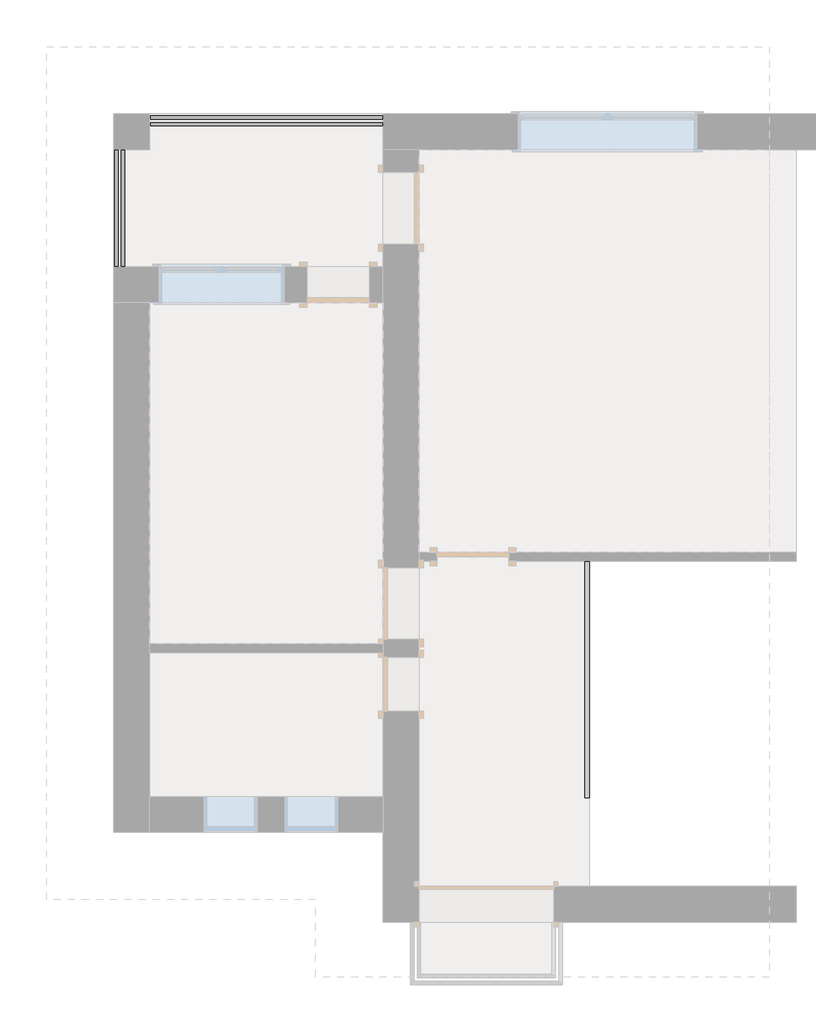
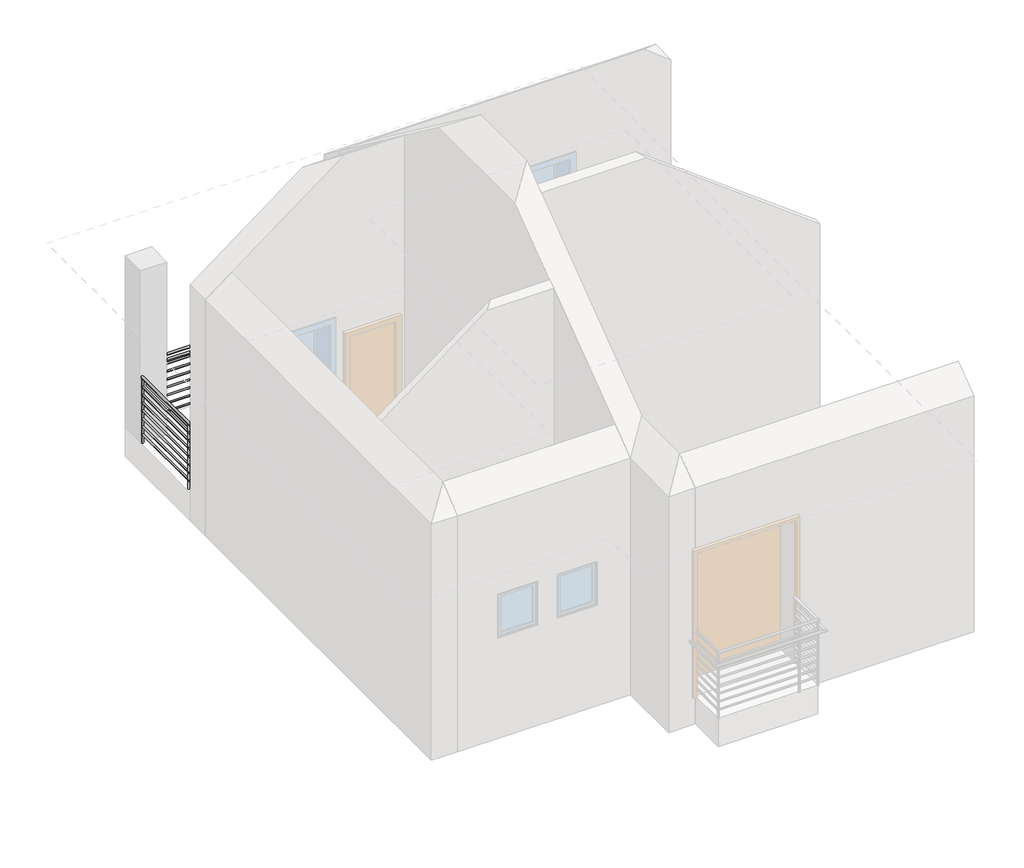
# One storey, part 3 of 3: 3 railings.
"""IFC4 building model written with IfcOpenShell, lengths in millimetres."""

from ifc_helpers import new_model, si_unit, point, frame, frame_2d, origin, place, context, project, spatial, polyline, circle_curve, trimmed, segment, composite_curve, outline, extrude, element, save

model = new_model("IFC4")

# Units and contexts
model_context = context("Model", 3, world=origin())
ifc_project = project(units=[si_unit("LENGTHUNIT", "METRE", prefix="MILLI")], contexts=[model_context])

# Site, building, storey
site = spatial("IfcSite", under=ifc_project)
building = spatial("IfcBuilding", under=site)
storey = spatial("IfcBuildingStorey", under=building, Elevation=90040.0)

# Railings
placement = place(None, origin())
element("IfcRailing", 1, ObjectType="Guardrail - Pipe", at=placement, inside=storey, context=model_context, shape_type="SweptSolid", body=[
    extrude(outline(composite_curve([segment(trimmed(circle_curve(frame_2d((5613.5893935, 90935.35)), 19.05), [point((5594.5393935, 90935.35))], [point((5632.6393935, 90935.35))], False, "CARTESIAN"), True, "CONTINUOUS"), segment(trimmed(circle_curve(frame_2d((5613.5893935, 90935.35)), 19.05), [point((5632.6393935, 90935.35))], [point((5594.5393935, 90935.35))], False, "CARTESIAN"), True, "CONTINUOUS")], self_intersect=False)), frame((-3520.1975428, 0.0, 0.0), z_axis=(1.0, 0.0, 0.0), x_axis=(0.0, 1.0, 0.0)), (0.0, 0.0, 1.0), 2600.0),
    extrude(outline(composite_curve([segment(trimmed(circle_curve(frame_2d((5537.3893935, 91087.75)), 19.05), [point((5518.3393935, 91087.75))], [point((5556.4393935, 91087.75))], False, "CARTESIAN"), True, "CONTINUOUS"), segment(trimmed(circle_curve(frame_2d((5537.3893935, 91087.75)), 19.05), [point((5556.4393935, 91087.75))], [point((5518.3393935, 91087.75))], False, "CARTESIAN"), True, "CONTINUOUS")], self_intersect=False)), frame((-3520.1975428, 0.0, 0.0), z_axis=(1.0, 0.0, 0.0), x_axis=(0.0, 1.0, 0.0)), (0.0, 0.0, 1.0), 2600.0),
    extrude(outline(composite_curve([segment(trimmed(circle_curve(frame_2d((5537.3893935, 90941.7)), 12.7), [point((5550.0893935, 90941.7))], [point((5524.6893935, 90941.7))], False, "CARTESIAN"), True, "CONTINUOUS"), segment(trimmed(circle_curve(frame_2d((5537.3893935, 90941.7)), 12.7), [point((5524.6893935, 90941.7))], [point((5550.0893935, 90941.7))], False, "CARTESIAN"), True, "CONTINUOUS")], self_intersect=False)), frame((-3520.1975428, 0.0, 0.0), z_axis=(1.0, 0.0, 0.0), x_axis=(0.0, 1.0, 0.0)), (0.0, 0.0, 1.0), 2600.0),
    extrude(outline(composite_curve([segment(trimmed(circle_curve(frame_2d((5537.3893935, 90814.7)), 12.7), [point((5550.0893935, 90814.7))], [point((5524.6893935, 90814.7))], False, "CARTESIAN"), True, "CONTINUOUS"), segment(trimmed(circle_curve(frame_2d((5537.3893935, 90814.7)), 12.7), [point((5524.6893935, 90814.7))], [point((5550.0893935, 90814.7))], False, "CARTESIAN"), True, "CONTINUOUS")], self_intersect=False)), frame((-3520.1975428, 0.0, 0.0), z_axis=(1.0, 0.0, 0.0), x_axis=(0.0, 1.0, 0.0)), (0.0, 0.0, 1.0), 2600.0),
    extrude(outline(composite_curve([segment(trimmed(circle_curve(frame_2d((5537.3893935, 90687.7)), 12.7), [point((5550.0893935, 90687.7))], [point((5524.6893935, 90687.7))], False, "CARTESIAN"), True, "CONTINUOUS"), segment(trimmed(circle_curve(frame_2d((5537.3893935, 90687.7)), 12.7), [point((5524.6893935, 90687.7))], [point((5550.0893935, 90687.7))], False, "CARTESIAN"), True, "CONTINUOUS")], self_intersect=False)), frame((-3520.1975428, 0.0, 0.0), z_axis=(1.0, 0.0, 0.0), x_axis=(0.0, 1.0, 0.0)), (0.0, 0.0, 1.0), 2600.0),
    extrude(outline(composite_curve([segment(trimmed(circle_curve(frame_2d((5537.3893935, 90560.7)), 12.7), [point((5550.0893935, 90560.7))], [point((5524.6893935, 90560.7))], False, "CARTESIAN"), True, "CONTINUOUS"), segment(trimmed(circle_curve(frame_2d((5537.3893935, 90560.7)), 12.7), [point((5524.6893935, 90560.7))], [point((5550.0893935, 90560.7))], False, "CARTESIAN"), True, "CONTINUOUS")], self_intersect=False)), frame((-3520.1975428, 0.0, 0.0), z_axis=(1.0, 0.0, 0.0), x_axis=(0.0, 1.0, 0.0)), (0.0, 0.0, 1.0), 2600.0),
    extrude(outline(composite_curve([segment(trimmed(circle_curve(frame_2d((5537.3893935, 90433.7)), 12.7), [point((5550.0893935, 90433.7))], [point((5524.6893935, 90433.7))], False, "CARTESIAN"), True, "CONTINUOUS"), segment(trimmed(circle_curve(frame_2d((5537.3893935, 90433.7)), 12.7), [point((5524.6893935, 90433.7))], [point((5550.0893935, 90433.7))], False, "CARTESIAN"), True, "CONTINUOUS")], self_intersect=False)), frame((-3520.1975428, 0.0, 0.0), z_axis=(1.0, 0.0, 0.0), x_axis=(0.0, 1.0, 0.0)), (0.0, 0.0, 1.0), 2600.0),
    extrude(outline(composite_curve([segment(trimmed(circle_curve(frame_2d((5537.3893935, 90306.7)), 12.7), [point((5550.0893935, 90306.7))], [point((5524.6893935, 90306.7))], False, "CARTESIAN"), True, "CONTINUOUS"), segment(trimmed(circle_curve(frame_2d((5537.3893935, 90306.7)), 12.7), [point((5524.6893935, 90306.7))], [point((5550.0893935, 90306.7))], False, "CARTESIAN"), True, "CONTINUOUS")], self_intersect=False)), frame((-3520.1975428, 0.0, 0.0), z_axis=(1.0, 0.0, 0.0), x_axis=(0.0, 1.0, 0.0)), (0.0, 0.0, 1.0), 2600.0),
    extrude(outline(composite_curve([segment(trimmed(circle_curve(frame_2d((5537.3893935, 90179.7)), 12.7), [point((5550.0893935, 90179.7))], [point((5524.6893935, 90179.7))], False, "CARTESIAN"), True, "CONTINUOUS"), segment(trimmed(circle_curve(frame_2d((5537.3893935, 90179.7)), 12.7), [point((5524.6893935, 90179.7))], [point((5550.0893935, 90179.7))], False, "CARTESIAN"), True, "CONTINUOUS")], self_intersect=False)), frame((-3520.1975428, 0.0, 0.0), z_axis=(1.0, 0.0, 0.0), x_axis=(0.0, 1.0, 0.0)), (0.0, 0.0, 1.0), 2600.0),
    extrude(outline(composite_curve([segment(trimmed(circle_curve(frame_2d((-1081.7975428, 5537.3893935)), 12.7), [point((-1081.7975428, 5550.0893935))], [point((-1081.7975428, 5524.6893935))], False, "CARTESIAN"), True, "CONTINUOUS"), segment(trimmed(circle_curve(frame_2d((-1081.7975428, 5537.3893935)), 12.7), [point((-1081.7975428, 5524.6893935))], [point((-1081.7975428, 5550.0893935))], False, "CARTESIAN"), True, "CONTINUOUS")], self_intersect=False)), frame((0.0, 0.0, 90040.0), z_axis=(0.0, 0.0, 1.0), x_axis=(1.0, 0.0, 0.0)), (0.0, 0.0, 1.0), 1028.7),
    extrude(outline(composite_curve([segment(trimmed(circle_curve(frame_2d((-2300.9975428, 5537.3893935)), 12.7), [point((-2300.9975428, 5550.0893935))], [point((-2300.9975428, 5524.6893935))], False, "CARTESIAN"), True, "CONTINUOUS"), segment(trimmed(circle_curve(frame_2d((-2300.9975428, 5537.3893935)), 12.7), [point((-2300.9975428, 5524.6893935))], [point((-2300.9975428, 5550.0893935))], False, "CARTESIAN"), True, "CONTINUOUS")], self_intersect=False)), frame((0.0, 0.0, 90040.0), z_axis=(0.0, 0.0, 1.0), x_axis=(1.0, 0.0, 0.0)), (0.0, 0.0, 1.0), 1028.7),
    extrude(outline(composite_curve([segment(trimmed(circle_curve(frame_2d((-932.8975428, 5537.3893935)), 12.7), [point((-932.8975428, 5550.0893935))], [point((-932.8975428, 5524.6893935))], False, "CARTESIAN"), True, "CONTINUOUS"), segment(trimmed(circle_curve(frame_2d((-932.8975428, 5537.3893935)), 12.7), [point((-932.8975428, 5524.6893935))], [point((-932.8975428, 5550.0893935))], False, "CARTESIAN"), True, "CONTINUOUS")], self_intersect=False)), frame((0.0, 0.0, 90040.0), z_axis=(0.0, 0.0, 1.0), x_axis=(1.0, 0.0, 0.0)), (0.0, 0.0, 1.0), 1028.7),
    extrude(outline(composite_curve([segment(trimmed(circle_curve(frame_2d((-3507.4975428, 5537.3893935)), 12.7), [point((-3507.4975428, 5550.0893935))], [point((-3507.4975428, 5524.6893935))], False, "CARTESIAN"), True, "CONTINUOUS"), segment(trimmed(circle_curve(frame_2d((-3507.4975428, 5537.3893935)), 12.7), [point((-3507.4975428, 5524.6893935))], [point((-3507.4975428, 5550.0893935))], False, "CARTESIAN"), True, "CONTINUOUS")], self_intersect=False)), frame((0.0, 0.0, 90040.0), z_axis=(0.0, 0.0, 1.0), x_axis=(1.0, 0.0, 0.0)), (0.0, 0.0, 1.0), 1028.7),
])
element("IfcRailing", 2, ObjectType="Guardrail - Pipe", at=placement, inside=storey, context=model_context, shape_type="SweptSolid", body=[
    extrude(outline(composite_curve([segment(trimmed(circle_curve(frame_2d((90935.35, -3826.9464463)), 19.05), [point((90935.35, -3845.9964463))], [point((90935.35, -3807.8964463))], False, "CARTESIAN"), True, "CONTINUOUS"), segment(trimmed(circle_curve(frame_2d((90935.35, -3826.9464463)), 19.05), [point((90935.35, -3807.8964463))], [point((90935.35, -3845.9964463))], False, "CARTESIAN"), True, "CONTINUOUS")], self_intersect=False)), frame((0.0, 3952.3430585, 0.0), z_axis=(0.0, 1.0, 0.0), x_axis=(0.0, 0.0, 1.0)), (0.0, 0.0, 1.0), 1300.0),
    extrude(outline(composite_curve([segment(trimmed(circle_curve(frame_2d((91087.75, -3903.1464463)), 19.05), [point((91087.75, -3922.1964463))], [point((91087.75, -3884.0964463))], False, "CARTESIAN"), True, "CONTINUOUS"), segment(trimmed(circle_curve(frame_2d((91087.75, -3903.1464463)), 19.05), [point((91087.75, -3884.0964463))], [point((91087.75, -3922.1964463))], False, "CARTESIAN"), True, "CONTINUOUS")], self_intersect=False)), frame((0.0, 3952.3430585, 0.0), z_axis=(0.0, 1.0, 0.0), x_axis=(0.0, 0.0, 1.0)), (0.0, 0.0, 1.0), 1300.0),
    extrude(outline(composite_curve([segment(trimmed(circle_curve(frame_2d((90941.7, -3903.1464463)), 12.7), [point((90941.7, -3890.4464463))], [point((90941.7, -3915.8464463))], False, "CARTESIAN"), True, "CONTINUOUS"), segment(trimmed(circle_curve(frame_2d((90941.7, -3903.1464463)), 12.7), [point((90941.7, -3915.8464463))], [point((90941.7, -3890.4464463))], False, "CARTESIAN"), True, "CONTINUOUS")], self_intersect=False)), frame((0.0, 3952.3430585, 0.0), z_axis=(0.0, 1.0, 0.0), x_axis=(0.0, 0.0, 1.0)), (0.0, 0.0, 1.0), 1300.0),
    extrude(outline(composite_curve([segment(trimmed(circle_curve(frame_2d((90814.7, -3903.1464463)), 12.7), [point((90814.7, -3890.4464463))], [point((90814.7, -3915.8464463))], False, "CARTESIAN"), True, "CONTINUOUS"), segment(trimmed(circle_curve(frame_2d((90814.7, -3903.1464463)), 12.7), [point((90814.7, -3915.8464463))], [point((90814.7, -3890.4464463))], False, "CARTESIAN"), True, "CONTINUOUS")], self_intersect=False)), frame((0.0, 3952.3430585, 0.0), z_axis=(0.0, 1.0, 0.0), x_axis=(0.0, 0.0, 1.0)), (0.0, 0.0, 1.0), 1300.0),
    extrude(outline(composite_curve([segment(trimmed(circle_curve(frame_2d((90687.7, -3903.1464463)), 12.7), [point((90687.7, -3890.4464463))], [point((90687.7, -3915.8464463))], False, "CARTESIAN"), True, "CONTINUOUS"), segment(trimmed(circle_curve(frame_2d((90687.7, -3903.1464463)), 12.7), [point((90687.7, -3915.8464463))], [point((90687.7, -3890.4464463))], False, "CARTESIAN"), True, "CONTINUOUS")], self_intersect=False)), frame((0.0, 3952.3430585, 0.0), z_axis=(0.0, 1.0, 0.0), x_axis=(0.0, 0.0, 1.0)), (0.0, 0.0, 1.0), 1300.0),
    extrude(outline(composite_curve([segment(trimmed(circle_curve(frame_2d((90560.7, -3903.1464463)), 12.7), [point((90560.7, -3890.4464463))], [point((90560.7, -3915.8464463))], False, "CARTESIAN"), True, "CONTINUOUS"), segment(trimmed(circle_curve(frame_2d((90560.7, -3903.1464463)), 12.7), [point((90560.7, -3915.8464463))], [point((90560.7, -3890.4464463))], False, "CARTESIAN"), True, "CONTINUOUS")], self_intersect=False)), frame((0.0, 3952.3430585, 0.0), z_axis=(0.0, 1.0, 0.0), x_axis=(0.0, 0.0, 1.0)), (0.0, 0.0, 1.0), 1300.0),
    extrude(outline(composite_curve([segment(trimmed(circle_curve(frame_2d((90433.7, -3903.1464463)), 12.7), [point((90433.7, -3890.4464463))], [point((90433.7, -3915.8464463))], False, "CARTESIAN"), True, "CONTINUOUS"), segment(trimmed(circle_curve(frame_2d((90433.7, -3903.1464463)), 12.7), [point((90433.7, -3915.8464463))], [point((90433.7, -3890.4464463))], False, "CARTESIAN"), True, "CONTINUOUS")], self_intersect=False)), frame((0.0, 3952.3430585, 0.0), z_axis=(0.0, 1.0, 0.0), x_axis=(0.0, 0.0, 1.0)), (0.0, 0.0, 1.0), 1300.0),
    extrude(outline(composite_curve([segment(trimmed(circle_curve(frame_2d((90306.7, -3903.1464463)), 12.7), [point((90306.7, -3890.4464463))], [point((90306.7, -3915.8464463))], False, "CARTESIAN"), True, "CONTINUOUS"), segment(trimmed(circle_curve(frame_2d((90306.7, -3903.1464463)), 12.7), [point((90306.7, -3915.8464463))], [point((90306.7, -3890.4464463))], False, "CARTESIAN"), True, "CONTINUOUS")], self_intersect=False)), frame((0.0, 3952.3430585, 0.0), z_axis=(0.0, 1.0, 0.0), x_axis=(0.0, 0.0, 1.0)), (0.0, 0.0, 1.0), 1300.0),
    extrude(outline(composite_curve([segment(trimmed(circle_curve(frame_2d((90179.7, -3903.1464463)), 12.7), [point((90179.7, -3890.4464463))], [point((90179.7, -3915.8464463))], False, "CARTESIAN"), True, "CONTINUOUS"), segment(trimmed(circle_curve(frame_2d((90179.7, -3903.1464463)), 12.7), [point((90179.7, -3915.8464463))], [point((90179.7, -3890.4464463))], False, "CARTESIAN"), True, "CONTINUOUS")], self_intersect=False)), frame((0.0, 3952.3430585, 0.0), z_axis=(0.0, 1.0, 0.0), x_axis=(0.0, 0.0, 1.0)), (0.0, 0.0, 1.0), 1300.0),
    extrude(outline(composite_curve([segment(trimmed(circle_curve(frame_2d((-3903.1464463, 4033.1430585)), 12.7), [point((-3890.4464463, 4033.1430585))], [point((-3915.8464463, 4033.1430585))], False, "CARTESIAN"), True, "CONTINUOUS"), segment(trimmed(circle_curve(frame_2d((-3903.1464463, 4033.1430585)), 12.7), [point((-3915.8464463, 4033.1430585))], [point((-3890.4464463, 4033.1430585))], False, "CARTESIAN"), True, "CONTINUOUS")], self_intersect=False)), frame((0.0, 0.0, 90040.0), z_axis=(0.0, 0.0, 1.0), x_axis=(1.0, 0.0, 0.0)), (0.0, 0.0, 1.0), 1028.7),
    extrude(outline(composite_curve([segment(trimmed(circle_curve(frame_2d((-3903.1464463, 3965.0430585)), 12.7), [point((-3890.4464463, 3965.0430585))], [point((-3915.8464463, 3965.0430585))], False, "CARTESIAN"), True, "CONTINUOUS"), segment(trimmed(circle_curve(frame_2d((-3903.1464463, 3965.0430585)), 12.7), [point((-3915.8464463, 3965.0430585))], [point((-3890.4464463, 3965.0430585))], False, "CARTESIAN"), True, "CONTINUOUS")], self_intersect=False)), frame((0.0, 0.0, 90040.0), z_axis=(0.0, 0.0, 1.0), x_axis=(1.0, 0.0, 0.0)), (0.0, 0.0, 1.0), 1028.7),
    extrude(outline(composite_curve([segment(trimmed(circle_curve(frame_2d((-3903.1464463, 5239.6430585)), 12.7), [point((-3890.4464463, 5239.6430585))], [point((-3915.8464463, 5239.6430585))], False, "CARTESIAN"), True, "CONTINUOUS"), segment(trimmed(circle_curve(frame_2d((-3903.1464463, 5239.6430585)), 12.7), [point((-3915.8464463, 5239.6430585))], [point((-3890.4464463, 5239.6430585))], False, "CARTESIAN"), True, "CONTINUOUS")], self_intersect=False)), frame((0.0, 0.0, 90040.0), z_axis=(0.0, 0.0, 1.0), x_axis=(1.0, 0.0, 0.0)), (0.0, 0.0, 1.0), 1028.7),
])
element("IfcRailing", 3, ObjectType="Handrail - Rectangular", at=placement, inside=storey, context=model_context, shape_type="SweptSolid", body=[
    extrude(outline(polyline([(1370.6555789, -1961.8133666), (1319.8555789, -1961.8133666), (1319.8555789, 672.3430585), (1370.6555789, 672.3430585), (1370.6555789, -1961.8133666)])), frame((0.0, 0.0, 90903.6), z_axis=(0.0, 0.0, 1.0), x_axis=(1.0, 0.0, 0.0)), (0.0, 0.0, 1.0), 50.8),
    extrude(outline(polyline([(1354.7805789, 568.6616334), (1335.7305789, 568.6616334), (1335.7305789, 587.7116334), (1354.7805789, 587.7116334), (1354.7805789, 568.6616334)])), frame((0.0, 0.0, 90040.0), z_axis=(0.0, 0.0, 1.0), x_axis=(1.0, 0.0, 0.0)), (0.0, 0.0, 1.0), 863.6),
    extrude(outline(polyline([(1354.7805789, 467.0616334), (1335.7305789, 467.0616334), (1335.7305789, 486.1116334), (1354.7805789, 486.1116334), (1354.7805789, 467.0616334)])), frame((0.0, 0.0, 90040.0), z_axis=(0.0, 0.0, 1.0), x_axis=(1.0, 0.0, 0.0)), (0.0, 0.0, 1.0), 863.6),
    extrude(outline(polyline([(1354.7805789, 365.4616334), (1335.7305789, 365.4616334), (1335.7305789, 384.5116334), (1354.7805789, 384.5116334), (1354.7805789, 365.4616334)])), frame((0.0, 0.0, 90040.0), z_axis=(0.0, 0.0, 1.0), x_axis=(1.0, 0.0, 0.0)), (0.0, 0.0, 1.0), 863.6),
    extrude(outline(polyline([(1354.7805789, 263.8616334), (1335.7305789, 263.8616334), (1335.7305789, 282.9116334), (1354.7805789, 282.9116334), (1354.7805789, 263.8616334)])), frame((0.0, 0.0, 90040.0), z_axis=(0.0, 0.0, 1.0), x_axis=(1.0, 0.0, 0.0)), (0.0, 0.0, 1.0), 863.6),
    extrude(outline(polyline([(1354.7805789, 162.2616334), (1335.7305789, 162.2616334), (1335.7305789, 181.3116334), (1354.7805789, 181.3116334), (1354.7805789, 162.2616334)])), frame((0.0, 0.0, 90040.0), z_axis=(0.0, 0.0, 1.0), x_axis=(1.0, 0.0, 0.0)), (0.0, 0.0, 1.0), 863.6),
    extrude(outline(polyline([(1354.7805789, 60.6616334), (1335.7305789, 60.6616334), (1335.7305789, 79.7116334), (1354.7805789, 79.7116334), (1354.7805789, 60.6616334)])), frame((0.0, 0.0, 90040.0), z_axis=(0.0, 0.0, 1.0), x_axis=(1.0, 0.0, 0.0)), (0.0, 0.0, 1.0), 863.6),
    extrude(outline(polyline([(1354.7805789, -40.9383666), (1335.7305789, -40.9383666), (1335.7305789, -21.8883666), (1354.7805789, -21.8883666), (1354.7805789, -40.9383666)])), frame((0.0, 0.0, 90040.0), z_axis=(0.0, 0.0, 1.0), x_axis=(1.0, 0.0, 0.0)), (0.0, 0.0, 1.0), 863.6),
    extrude(outline(polyline([(1354.7805789, -142.5383666), (1335.7305789, -142.5383666), (1335.7305789, -123.4883666), (1354.7805789, -123.4883666), (1354.7805789, -142.5383666)])), frame((0.0, 0.0, 90040.0), z_axis=(0.0, 0.0, 1.0), x_axis=(1.0, 0.0, 0.0)), (0.0, 0.0, 1.0), 863.6),
    extrude(outline(polyline([(1354.7805789, -244.1383666), (1335.7305789, -244.1383666), (1335.7305789, -225.0883666), (1354.7805789, -225.0883666), (1354.7805789, -244.1383666)])), frame((0.0, 0.0, 90040.0), z_axis=(0.0, 0.0, 1.0), x_axis=(1.0, 0.0, 0.0)), (0.0, 0.0, 1.0), 863.6),
    extrude(outline(polyline([(1354.7805789, -345.7383666), (1335.7305789, -345.7383666), (1335.7305789, -326.6883666), (1354.7805789, -326.6883666), (1354.7805789, -345.7383666)])), frame((0.0, 0.0, 90040.0), z_axis=(0.0, 0.0, 1.0), x_axis=(1.0, 0.0, 0.0)), (0.0, 0.0, 1.0), 863.6),
    extrude(outline(polyline([(1354.7805789, -447.3383666), (1335.7305789, -447.3383666), (1335.7305789, -428.2883666), (1354.7805789, -428.2883666), (1354.7805789, -447.3383666)])), frame((0.0, 0.0, 90040.0), z_axis=(0.0, 0.0, 1.0), x_axis=(1.0, 0.0, 0.0)), (0.0, 0.0, 1.0), 863.6),
    extrude(outline(polyline([(1354.7805789, -548.9383666), (1335.7305789, -548.9383666), (1335.7305789, -529.8883666), (1354.7805789, -529.8883666), (1354.7805789, -548.9383666)])), frame((0.0, 0.0, 90040.0), z_axis=(0.0, 0.0, 1.0), x_axis=(1.0, 0.0, 0.0)), (0.0, 0.0, 1.0), 863.6),
    extrude(outline(polyline([(1354.7805789, -650.5383666), (1335.7305789, -650.5383666), (1335.7305789, -631.4883666), (1354.7805789, -631.4883666), (1354.7805789, -650.5383666)])), frame((0.0, 0.0, 90040.0), z_axis=(0.0, 0.0, 1.0), x_axis=(1.0, 0.0, 0.0)), (0.0, 0.0, 1.0), 863.6),
    extrude(outline(polyline([(1354.7805789, -752.1383666), (1335.7305789, -752.1383666), (1335.7305789, -733.0883666), (1354.7805789, -733.0883666), (1354.7805789, -752.1383666)])), frame((0.0, 0.0, 90040.0), z_axis=(0.0, 0.0, 1.0), x_axis=(1.0, 0.0, 0.0)), (0.0, 0.0, 1.0), 863.6),
    extrude(outline(polyline([(1354.7805789, -853.7383666), (1335.7305789, -853.7383666), (1335.7305789, -834.6883666), (1354.7805789, -834.6883666), (1354.7805789, -853.7383666)])), frame((0.0, 0.0, 90040.0), z_axis=(0.0, 0.0, 1.0), x_axis=(1.0, 0.0, 0.0)), (0.0, 0.0, 1.0), 863.6),
    extrude(outline(polyline([(1354.7805789, -955.3383666), (1335.7305789, -955.3383666), (1335.7305789, -936.2883666), (1354.7805789, -936.2883666), (1354.7805789, -955.3383666)])), frame((0.0, 0.0, 90040.0), z_axis=(0.0, 0.0, 1.0), x_axis=(1.0, 0.0, 0.0)), (0.0, 0.0, 1.0), 863.6),
    extrude(outline(polyline([(1354.7805789, -1056.9383666), (1335.7305789, -1056.9383666), (1335.7305789, -1037.8883666), (1354.7805789, -1037.8883666), (1354.7805789, -1056.9383666)])), frame((0.0, 0.0, 90040.0), z_axis=(0.0, 0.0, 1.0), x_axis=(1.0, 0.0, 0.0)), (0.0, 0.0, 1.0), 863.6),
    extrude(outline(polyline([(1354.7805789, -1158.5383666), (1335.7305789, -1158.5383666), (1335.7305789, -1139.4883666), (1354.7805789, -1139.4883666), (1354.7805789, -1158.5383666)])), frame((0.0, 0.0, 90040.0), z_axis=(0.0, 0.0, 1.0), x_axis=(1.0, 0.0, 0.0)), (0.0, 0.0, 1.0), 863.6),
    extrude(outline(polyline([(1354.7805789, -1260.1383666), (1335.7305789, -1260.1383666), (1335.7305789, -1241.0883666), (1354.7805789, -1241.0883666), (1354.7805789, -1260.1383666)])), frame((0.0, 0.0, 90040.0), z_axis=(0.0, 0.0, 1.0), x_axis=(1.0, 0.0, 0.0)), (0.0, 0.0, 1.0), 863.6),
    extrude(outline(polyline([(1354.7805789, -1361.7383666), (1335.7305789, -1361.7383666), (1335.7305789, -1342.6883666), (1354.7805789, -1342.6883666), (1354.7805789, -1361.7383666)])), frame((0.0, 0.0, 90040.0), z_axis=(0.0, 0.0, 1.0), x_axis=(1.0, 0.0, 0.0)), (0.0, 0.0, 1.0), 863.6),
    extrude(outline(polyline([(1354.7805789, -1463.3383666), (1335.7305789, -1463.3383666), (1335.7305789, -1444.2883666), (1354.7805789, -1444.2883666), (1354.7805789, -1463.3383666)])), frame((0.0, 0.0, 90040.0), z_axis=(0.0, 0.0, 1.0), x_axis=(1.0, 0.0, 0.0)), (0.0, 0.0, 1.0), 863.6),
    extrude(outline(polyline([(1354.7805789, -1564.9383666), (1335.7305789, -1564.9383666), (1335.7305789, -1545.8883666), (1354.7805789, -1545.8883666), (1354.7805789, -1564.9383666)])), frame((0.0, 0.0, 90040.0), z_axis=(0.0, 0.0, 1.0), x_axis=(1.0, 0.0, 0.0)), (0.0, 0.0, 1.0), 863.6),
    extrude(outline(polyline([(1354.7805789, -1666.5383666), (1335.7305789, -1666.5383666), (1335.7305789, -1647.4883666), (1354.7805789, -1647.4883666), (1354.7805789, -1666.5383666)])), frame((0.0, 0.0, 90040.0), z_axis=(0.0, 0.0, 1.0), x_axis=(1.0, 0.0, 0.0)), (0.0, 0.0, 1.0), 863.6),
    extrude(outline(polyline([(1354.7805789, -1768.1383666), (1335.7305789, -1768.1383666), (1335.7305789, -1749.0883666), (1354.7805789, -1749.0883666), (1354.7805789, -1768.1383666)])), frame((0.0, 0.0, 90040.0), z_axis=(0.0, 0.0, 1.0), x_axis=(1.0, 0.0, 0.0)), (0.0, 0.0, 1.0), 863.6),
    extrude(outline(polyline([(1354.7805789, -1869.7383666), (1335.7305789, -1869.7383666), (1335.7305789, -1850.6883666), (1354.7805789, -1850.6883666), (1354.7805789, -1869.7383666)])), frame((0.0, 0.0, 90040.0), z_axis=(0.0, 0.0, 1.0), x_axis=(1.0, 0.0, 0.0)), (0.0, 0.0, 1.0), 863.6),
    extrude(outline(polyline([(1354.7805789, 653.2930585), (1335.7305789, 653.2930585), (1335.7305789, 672.3430585), (1354.7805789, 672.3430585), (1354.7805789, 653.2930585)])), frame((0.0, 0.0, 90040.0), z_axis=(0.0, 0.0, 1.0), x_axis=(1.0, 0.0, 0.0)), (0.0, 0.0, 1.0), 863.6),
    extrude(outline(polyline([(1354.7805789, -1961.8133666), (1335.7305789, -1961.8133666), (1335.7305789, -1942.7633666), (1354.7805789, -1942.7633666), (1354.7805789, -1961.8133666)])), frame((0.0, 0.0, 90040.0), z_axis=(0.0, 0.0, 1.0), x_axis=(1.0, 0.0, 0.0)), (0.0, 0.0, 1.0), 863.6),
])

save(model, "model.ifc")
